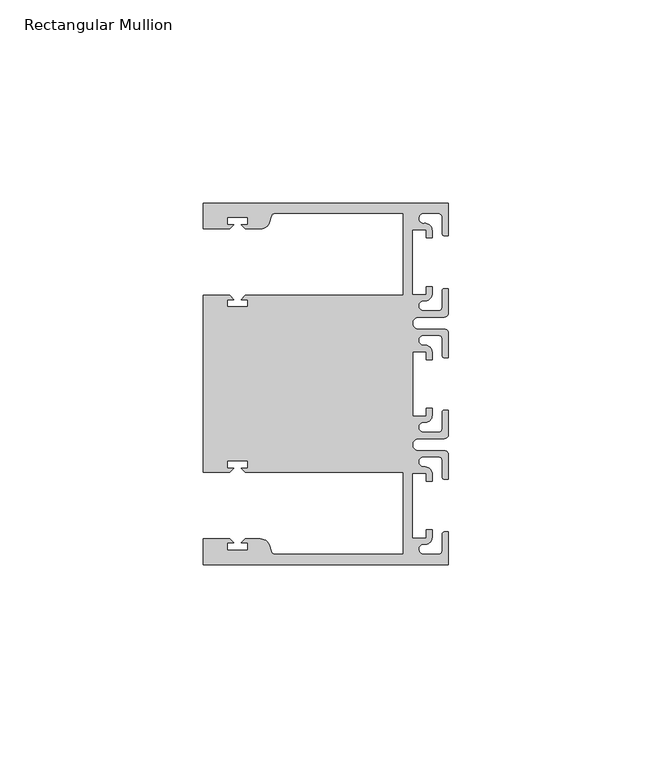
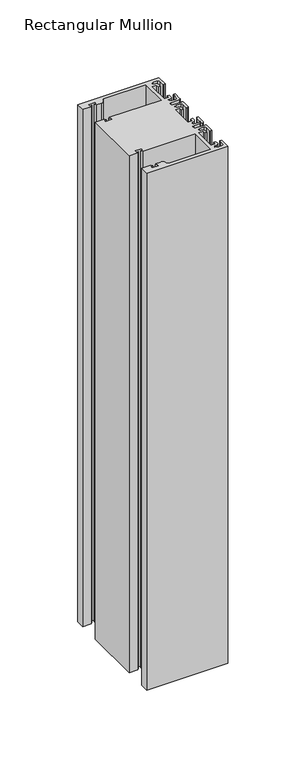
"""IFC4 building model written with IfcOpenShell, lengths in millimetres: member geometry, Rectangular Mullion."""

from ifc_helpers import new_model, si_unit, point, frame, frame_2d, origin, place, context, project, spatial, polyline, circle_curve, trimmed, segment, composite_curve, outline, extrude, source, transform, mapped, element, save


def rectangular_mullion_fad226ca(model_context):
    return source(origin(), model_context, "Body", "SweptSolid", [
        extrude(outline(composite_curve([segment(polyline([(0.0, -44.45), (-60.3249977, -44.45), (-60.3249977, -38.1499897), (-53.8507531, -38.1499897), (-52.8507405, -39.1500023), (-54.4249778, -39.1500023), (-54.4249778, -40.9498819), (-49.4249831, -40.9498819), (-49.4249831, -39.1500023), (-50.999256, -39.1500023), (-49.9992503, -38.1499966), (-46.3137853, -38.1499966)]), True, "CONTINUOUS"), segment(trimmed(circle_curve(frame_2d((-46.3137853, -40.6499966)), 2.5), [point((-46.3137853, -38.1499966))], [point((-43.8989707, -40.002949))], False, "CARTESIAN"), True, "CONTINUOUS"), segment(polyline([(-43.8989707, -40.002949), (-43.5758588, -41.2088192)]), True, "CONTINUOUS"), segment(trimmed(circle_curve(frame_2d((-42.6099329, -40.9500001)), 1.0), [point((-43.5758588, -41.2088192))], [point((-42.6099329, -41.9500001))], True, "CARTESIAN"), True, "CONTINUOUS"), segment(polyline([(-42.6099329, -41.9500001), (-11.1124977, -41.95), (-11.1124977, -21.7499959), (-49.9992434, -21.7499959), (-50.999256, -20.7499834), (-49.4250186, -20.7499834), (-49.4250186, -18.949936), (-54.4250134, -18.949936), (-54.4250134, -20.7499834), (-52.8507405, -20.7499834), (-53.8507562, -21.749999), (-60.325, -21.749999), (-60.325, 21.749999), (-53.8507562, 21.749999), (-52.8507405, 20.7499834), (-54.4250134, 20.7499834), (-54.4250134, 18.949936), (-49.4250186, 18.949936), (-49.4250186, 20.7499834), (-50.999256, 20.7499834), (-49.9992434, 21.7499959), (-11.1125, 21.7499959), (-11.1125, 41.95), (-42.6099329, 41.95)]), True, "CONTINUOUS"), segment(trimmed(circle_curve(frame_2d((-42.6099329, 40.9500001)), 1.0), [point((-42.6099329, 41.95))], [point((-43.5758588, 41.2088192))], True, "CARTESIAN"), True, "CONTINUOUS"), segment(polyline([(-43.5758588, 41.2088192), (-43.8989707, 40.002949)]), True, "CONTINUOUS"), segment(trimmed(circle_curve(frame_2d((-46.3137853, 40.6499966)), 2.5), [point((-43.8989707, 40.002949))], [point((-46.3137853, 38.1499966))], False, "CARTESIAN"), True, "CONTINUOUS"), segment(polyline([(-46.3137853, 38.1499966), (-49.9992503, 38.1499966), (-50.999256, 39.1500023), (-49.4249831, 39.1500023), (-49.4249831, 40.9498819), (-54.4249778, 40.9498819), (-54.4249778, 39.1500023), (-52.8507405, 39.1500023), (-53.8507531, 38.1499897), (-60.325, 38.1499897), (-60.325, 44.45), (0.0, 44.45), (0.0, 36.4500318), (-1.0, 36.4500318)]), True, "CONTINUOUS"), segment(trimmed(circle_curve(frame_2d((-1.0, 36.9500318)), 0.5), [point((-1.0, 36.4500318))], [point((-1.5, 36.9500318))], False, "CARTESIAN"), True, "CONTINUOUS"), segment(polyline([(-1.5, 36.9500318), (-1.5, 40.95)]), True, "CONTINUOUS"), segment(trimmed(circle_curve(frame_2d((-2.5, 40.95)), 1.0), [point((-1.5, 40.95))], [point((-2.5, 41.95))], True, "CARTESIAN"), True, "CONTINUOUS"), segment(polyline([(-2.5, 41.95), (-6.0499986, 41.95)]), True, "CONTINUOUS"), segment(trimmed(circle_curve(frame_2d((-6.0499986, 40.6999986)), 1.2500014), [point((-6.0499986, 41.95))], [point((-5.9027291, 39.4587029))], True, "CARTESIAN"), True, "CONTINUOUS"), segment(trimmed(circle_curve(frame_2d((-5.7186029, 37.7499972)), 1.7185975), [point((-5.9027291, 39.4587029))], [point((-4.0000054, 37.7499972))], False, "CARTESIAN"), True, "CONTINUOUS"), segment(polyline([(-4.0000054, 37.7499972), (-4.0000054, 35.9500318), (-5.5, 35.9500318), (-5.5, 37.9499972), (-8.8585786, 37.9499972), (-8.8585786, 21.9499956), (-5.5, 21.9499956), (-5.5, 23.9499611), (-3.9999946, 23.9499611), (-3.9999946, 22.0272972)]), True, "CONTINUOUS"), segment(trimmed(circle_curve(frame_2d((-5.7543344, 22.1865598)), 1.761554), [point((-3.9999946, 22.0272972))], [point((-6.0499986, 20.4499956))], False, "CARTESIAN"), True, "CONTINUOUS"), segment(trimmed(circle_curve(frame_2d((-6.0499986, 19.1999942)), 1.2500014), [point((-6.0499986, 20.4499956))], [point((-6.0499986, 17.9499929))], True, "CARTESIAN"), True, "CONTINUOUS"), segment(polyline([(-6.0499986, 17.9499929), (-2.5, 17.9499929)]), True, "CONTINUOUS"), segment(trimmed(circle_curve(frame_2d((-2.5, 18.9499929)), 1.0), [point((-2.5, 17.9499929))], [point((-1.5, 18.9499929))], True, "CARTESIAN"), True, "CONTINUOUS"), segment(polyline([(-1.5, 18.9499929), (-1.5, 22.9499611)]), True, "CONTINUOUS"), segment(trimmed(circle_curve(frame_2d((-1.0, 22.9499611)), 0.5), [point((-1.5, 22.9499611))], [point((-1.0, 23.4499611))], False, "CARTESIAN"), True, "CONTINUOUS"), segment(polyline([(-1.0, 23.4499611), (0.0, 23.4499611), (0.0, 17.4499929)]), True, "CONTINUOUS"), segment(trimmed(circle_curve(frame_2d((-1.0, 17.4499929)), 1.0), [point((0.0, 17.4499929))], [point((-1.0, 16.4499929))], False, "CARTESIAN"), True, "CONTINUOUS"), segment(polyline([(-1.0, 16.4499929), (-7.3, 16.4499929)]), True, "CONTINUOUS"), segment(trimmed(circle_curve(frame_2d((-7.3, 14.9499929)), 1.5), [point((-7.3, 16.4499929))], [point((-7.3046244, 13.45))], True, "CARTESIAN"), True, "CONTINUOUS"), segment(polyline([(-7.3046244, 13.45), (-1.0, 13.45)]), True, "CONTINUOUS"), segment(trimmed(circle_curve(frame_2d((-1.0, 12.45)), 1.0), [point((-1.0, 13.45))], [point((0.0, 12.45))], False, "CARTESIAN"), True, "CONTINUOUS"), segment(polyline([(0.0, 12.45), (0.0, 6.4500354), (-0.9999964, 6.4500354)]), True, "CONTINUOUS"), segment(trimmed(circle_curve(frame_2d((-0.9999964, 6.9500354)), 0.5), [point((-0.9999964, 6.4500354))], [point((-1.4999964, 6.9500354))], False, "CARTESIAN"), True, "CONTINUOUS"), segment(polyline([(-1.4999964, 6.9500354), (-1.4999964, 10.95)]), True, "CONTINUOUS"), segment(trimmed(circle_curve(frame_2d((-2.4999964, 10.95)), 1.0), [point((-1.4999964, 10.95))], [point((-2.4999964, 11.95))], True, "CARTESIAN"), True, "CONTINUOUS"), segment(polyline([(-2.4999964, 11.95), (-6.0499986, 11.95)]), True, "CONTINUOUS"), segment(trimmed(circle_curve(frame_2d((-6.0499986, 10.6999986)), 1.2500014), [point((-6.0499986, 11.95))], [point((-6.0499986, 9.4499972))], True, "CARTESIAN"), True, "CONTINUOUS"), segment(trimmed(circle_curve(frame_2d((-5.7298824, 7.7499972)), 1.729877), [point((-6.0499986, 9.4499972))], [point((-4.0000054, 7.7499972))], False, "CARTESIAN"), True, "CONTINUOUS"), segment(polyline([(-4.0000054, 7.7499972), (-4.0000054, 5.9500318), (-5.5, 5.9500318), (-5.5, 7.9499972), (-8.8, 7.9499972), (-8.8, -7.9499972), (-5.5, -7.9499972), (-5.5, -5.9500318), (-4.0000054, -5.9500318), (-4.0000054, -7.7499972)]), True, "CONTINUOUS"), segment(trimmed(circle_curve(frame_2d((-5.7298824, -7.7499972)), 1.729877), [point((-4.0000054, -7.7499972))], [point((-6.0499986, -9.4499972))], False, "CARTESIAN"), True, "CONTINUOUS"), segment(trimmed(circle_curve(frame_2d((-6.0499986, -10.6999986)), 1.2500014), [point((-6.0499986, -9.4499972))], [point((-6.0499986, -11.95))], True, "CARTESIAN"), True, "CONTINUOUS"), segment(polyline([(-6.0499986, -11.95), (-2.4999964, -11.95)]), True, "CONTINUOUS"), segment(trimmed(circle_curve(frame_2d((-2.4999964, -10.95)), 1.0), [point((-2.4999964, -11.95))], [point((-1.4999964, -10.95))], True, "CARTESIAN"), True, "CONTINUOUS"), segment(polyline([(-1.4999964, -10.95), (-1.4999964, -6.9500354)]), True, "CONTINUOUS"), segment(trimmed(circle_curve(frame_2d((-0.9999964, -6.9500354)), 0.5), [point((-1.4999964, -6.9500354))], [point((-0.9999964, -6.4500354))], False, "CARTESIAN"), True, "CONTINUOUS"), segment(polyline([(-0.9999964, -6.4500354), (0.0, -6.4500354), (0.0, -12.45)]), True, "CONTINUOUS"), segment(trimmed(circle_curve(frame_2d((-1.0, -12.45)), 1.0), [point((0.0, -12.45))], [point((-1.0, -13.45))], False, "CARTESIAN"), True, "CONTINUOUS"), segment(polyline([(-1.0, -13.45), (-7.3046244, -13.45)]), True, "CONTINUOUS"), segment(trimmed(circle_curve(frame_2d((-7.3, -14.9499929)), 1.5), [point((-7.3046244, -13.45))], [point((-7.3, -16.4499929))], True, "CARTESIAN"), True, "CONTINUOUS"), segment(polyline([(-7.3, -16.4499929), (-1.0, -16.4499929)]), True, "CONTINUOUS"), segment(trimmed(circle_curve(frame_2d((-1.0, -17.4499929)), 1.0), [point((-1.0, -16.4499929))], [point((0.0, -17.4499929))], False, "CARTESIAN"), True, "CONTINUOUS"), segment(polyline([(0.0, -17.4499929), (0.0, -23.4499611), (-1.0, -23.4499611)]), True, "CONTINUOUS"), segment(trimmed(circle_curve(frame_2d((-1.0, -22.9499611)), 0.5), [point((-1.0, -23.4499611))], [point((-1.5, -22.9499611))], False, "CARTESIAN"), True, "CONTINUOUS"), segment(polyline([(-1.5, -22.9499611), (-1.5, -18.9499929)]), True, "CONTINUOUS"), segment(trimmed(circle_curve(frame_2d((-2.5, -18.9499929)), 1.0), [point((-1.5, -18.9499929))], [point((-2.5, -17.9499929))], True, "CARTESIAN"), True, "CONTINUOUS"), segment(polyline([(-2.5, -17.9499929), (-6.0499986, -17.9499929)]), True, "CONTINUOUS"), segment(trimmed(circle_curve(frame_2d((-6.0499986, -19.1999942)), 1.2500014), [point((-6.0499986, -17.9499929))], [point((-6.0499986, -20.4499956))], True, "CARTESIAN"), True, "CONTINUOUS"), segment(trimmed(circle_curve(frame_2d((-5.7543344, -22.1865598)), 1.761554), [point((-6.0499986, -20.4499956))], [point((-3.9999946, -22.0272972))], False, "CARTESIAN"), True, "CONTINUOUS"), segment(polyline([(-3.9999946, -22.0272972), (-3.9999946, -23.9499611), (-5.5, -23.9499611), (-5.5, -21.9499956), (-8.8585786, -21.9499956), (-8.8585786, -37.9499972), (-5.5, -37.9499972), (-5.5, -35.9500318), (-4.0000054, -35.9500318), (-4.0000054, -37.7499972)]), True, "CONTINUOUS"), segment(trimmed(circle_curve(frame_2d((-5.7186029, -37.7499972)), 1.7185975), [point((-4.0000054, -37.7499972))], [point((-5.9027291, -39.4587029))], False, "CARTESIAN"), True, "CONTINUOUS"), segment(trimmed(circle_curve(frame_2d((-6.0499986, -40.6999986)), 1.2500014), [point((-5.9027291, -39.4587029))], [point((-6.0499986, -41.95))], True, "CARTESIAN"), True, "CONTINUOUS"), segment(polyline([(-6.0499986, -41.95), (-2.5, -41.95)]), True, "CONTINUOUS"), segment(trimmed(circle_curve(frame_2d((-2.5, -40.95)), 1.0), [point((-2.5, -41.95))], [point((-1.5, -40.95))], True, "CARTESIAN"), True, "CONTINUOUS"), segment(polyline([(-1.5, -40.95), (-1.5, -36.9500318)]), True, "CONTINUOUS"), segment(trimmed(circle_curve(frame_2d((-1.0, -36.9500318)), 0.5), [point((-1.5, -36.9500318))], [point((-1.0, -36.4500318))], False, "CARTESIAN"), True, "CONTINUOUS"), segment(polyline([(-1.0, -36.4500318), (0.0, -36.4500318), (0.0, -44.45)]), True, "CONTINUOUS")], self_intersect=False)), frame((0.0, 0.0, -406.4), z_axis=(0.0, 0.0, 1.0), x_axis=(1.0, 0.0, 0.0)), (0.0, 0.0, 1.0), 406.4),
    ])


if __name__ == "__main__":
    model = new_model("IFC4")
    model_context = context("Model", 3, world=origin())
    ifc_project = project(units=[si_unit("LENGTHUNIT", "METRE", prefix="MILLI")], contexts=[model_context])
    site = spatial("IfcSite", under=ifc_project)
    building = spatial("IfcBuilding", under=site)
    placement = place(None, origin())
    rectangular_mullion_shape = rectangular_mullion_fad226ca(model_context)
    element("IfcMember", 1, ObjectType="Rectangular Mullion", at=placement, inside=building, context=model_context, shape_type="MappedRepresentation", body=[
        mapped(rectangular_mullion_shape, transform((0.0, 0.0, 0.0), x_axis=(1.0, 0.0, 0.0), y_axis=(0.0, 1.0, 0.0), z_axis=(0.0, 0.0, 1.0))),
    ])
    save(model, "model.ifc")
